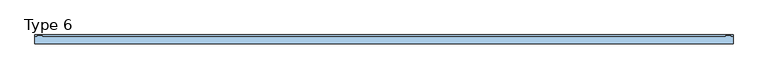
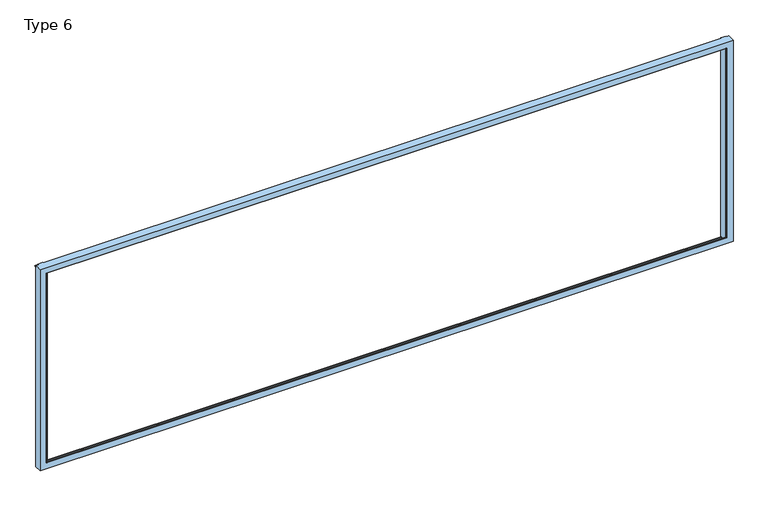
"""IFC4 building model written with IfcOpenShell, lengths in millimetres: window geometry, Type 6."""

from ifc_helpers import new_model, si_unit, frame, origin, place, context, project, spatial, polyline, circle_curve, ellipse_curve, outline, extrude, source, transform, mapped, element, save
from ifc_brep_helpers import plane_surface, cylinder_surface, advanced_brep


def type_6_8637c548(model_context):
    return source(origin(), model_context, "Body", "SolidModel", [
        advanced_brep(
        [(-3865.0, 17.4999847, 0.0), (-3862.5, 19.9999847, 0.0), (-3805.9999505, 19.9999847, 0.0), (-3805.9999505, 9.9999847, 0.0), (3806.0, 9.9999847, 0.0), (3806.0, 20.0, 0.0), (3862.5, 20.0, 0.0), (3865.0, 17.5, 0.0), (3865.0, 10.0, 0.0), (3890.0, 9.9999847, 0.0), (3890.0, -70.0, 0.0), (-3890.0, -70.0, 0.0), (-3890.0, 9.9999847, 0.0), (-3865.0, 9.9999847, 0.0), (-3865.0, 17.4999847, 2390.0), (-3862.5, 19.9999847, 2390.0), (-3805.9999505, 19.9999847, 2390.0), (-3805.9999505, 9.9999847, 2390.0), (-3805.9999505, 9.9999847, 2354.3999924), (-3805.9999505, 0.1999847, 2354.3999924), (-3805.9999505, 0.1999847, 2365.9997864), (-3805.9999505, -22.3000153, 2365.9997864), (-3805.9999505, -22.3000153, 2354.3999924), (-3805.9999505, -31.8999908, 2354.3999924), (-3805.9999505, -31.8999908, 2359.5), (-3805.9999505, -60.0000153, 2359.5), (-3805.9999505, -60.0000153, 2317.0), (-3805.9999505, -60.0000153, 73.0), (-3805.9999505, -60.0000153, 30.5), (-3805.9999505, -31.8999908, 30.5), (-3805.9999505, -31.8999908, 35.6000076), (-3805.9999505, -22.3000153, 35.6000076), (-3805.9999505, -22.3000153, 24.0002136), (-3805.9999505, 0.1999847, 24.0002136), (-3805.9999505, 0.1999847, 35.6000076), (-3805.9999505, 9.9999847, 35.6000076), (3806.0, 9.9999847, 35.6000076), (-3890.0, 9.9999847, 2390.0), (-3865.0, 9.9999847, 2390.0), (3865.0, 9.9999847, 2390.0), (3890.0, 9.9999847, 2390.0), (3806.0, 9.9999847, 2390.0), (3806.0, 9.9999847, 2354.3999924), (3806.0, 20.0, 2390.0), (3806.0, 0.1999847, 35.6000076), (3806.0, 0.1999847, 24.0002136), (3806.0, -22.3000153, 24.0002136), (3806.0, -22.3000153, 35.6000076), (3806.0, -31.8999908, 35.6000076), (3806.0, -31.8999908, 30.5), (3806.0, -60.0, 30.5), (3806.0, -60.0000153, 73.0), (3806.0, -60.0, 2317.0), (3806.0, -60.0000153, 2359.5), (3806.0, -31.8999908, 2359.5), (3806.0, -31.8999908, 2354.3999924), (3806.0, -22.3000153, 2354.3999924), (3806.0, -22.3000153, 2365.9997864), (3806.0, 0.1999847, 2365.9997864), (3806.0, 0.1999847, 2354.3999924), (3862.5, 20.0, 2390.0), (3865.0, 17.5, 2390.0), (3890.0, -70.0, 2390.0), (-3890.0, -70.0, 2390.0), (3819.5, -70.0, 2319.5), (3819.5, -70.0, 70.5), (-3819.5, -70.0, 70.5), (-3819.5, -70.0, 2319.5), (-3817.0, -60.0000153, 2317.0), (-3817.0, -60.0000153, 73.0), (-3817.0, -67.5, 2317.0), (-3817.0, -67.5, 73.0), (3817.0, -67.5, 73.0), (3817.0, -60.0000153, 73.0), (3817.0, -60.0, 2317.0), (3817.0, -67.5, 2317.0)],
        [
            (0, 1, circle_curve(frame((-3862.5, 17.4999847, 0.0), z_axis=(0.0, 0.0, -1.0), x_axis=(0.0, -1.0, 0.0)), 2.5)),
            (1, 2),
            (2, 3),
            (3, 4),
            (4, 5),
            (5, 6),
            (6, 7, circle_curve(frame((3862.5, 17.5, 0.0), z_axis=(0.0, 0.0, -1.0), x_axis=(0.0, -1.0, 0.0)), 2.5)),
            (7, 8),
            (8, 9),
            (9, 10),
            (10, 11),
            (11, 12),
            (12, 13),
            (13, 0),
            (14, 15, circle_curve(frame((-3862.5, 17.4999847, 2390.0), z_axis=(0.0, 0.0, -1.0), x_axis=(0.0, -1.0, 0.0)), 2.5)),
            (15, 1),
            (0, 14),
            (15, 16),
            (16, 2),
            (16, 17),
            (17, 18),
            (18, 19),
            (19, 20),
            (20, 21),
            (21, 22),
            (22, 23),
            (23, 24),
            (24, 25),
            (25, 26),
            (26, 27),
            (27, 28),
            (28, 29),
            (29, 30),
            (30, 31),
            (31, 32),
            (32, 33),
            (33, 34),
            (34, 35),
            (35, 3),
            (35, 36),
            (36, 4),
            (37, 38),
            (38, 13),
            (12, 37),
            (39, 40),
            (40, 9),
            (8, 39),
            (17, 41),
            (41, 42),
            (42, 18),
            (43, 5),
            (36, 44),
            (44, 45),
            (45, 46),
            (46, 47),
            (47, 48),
            (48, 49),
            (49, 50),
            (50, 51),
            (51, 52),
            (52, 53),
            (53, 54),
            (54, 55),
            (55, 56),
            (56, 57),
            (57, 58),
            (58, 59),
            (59, 42),
            (41, 43),
            (43, 60),
            (60, 6),
            (60, 61, circle_curve(frame((3862.5, 17.5, 2390.0), z_axis=(0.0, 0.0, -1.0), x_axis=(0.0, -1.0, 0.0)), 2.5)),
            (61, 7),
            (61, 39),
            (40, 62),
            (62, 10),
            (62, 63),
            (63, 11),
            (64, 65),
            (65, 66),
            (66, 67),
            (67, 64),
            (63, 37),
            (38, 14),
            (34, 44),
            (26, 68),
            (68, 69),
            (69, 27),
            (68, 70),
            (70, 71),
            (71, 69),
            (72, 73),
            (73, 51),
            (51, 27),
            (71, 72),
            (50, 28),
            (52, 26),
            (25, 53),
            (49, 29),
            (48, 30),
            (23, 55),
            (54, 24),
            (47, 31),
            (46, 32),
            (21, 57),
            (56, 22),
            (45, 33),
            (19, 59),
            (58, 20),
            (73, 74),
            (74, 52),
            (72, 75),
            (75, 74),
            (65, 72, ellipse_curve(frame((3819.5, -67.5, 70.5), z_axis=(-0.7071067811865498, 0.0, -0.7071067811865451), x_axis=(-0.7071067811865452, 0.0, 0.7071067811865497)), 3.5355339, 2.5)),
            (71, 66, ellipse_curve(frame((-3819.5, -67.5, 70.5), z_axis=(0.7071067811865451, 0.0, -0.7071067811865498), x_axis=(-0.70710678118655, 0.0, -0.7071067811865451)), 3.5355339, 2.5)),
            (64, 75, ellipse_curve(frame((3819.5, -67.5, 2319.5), z_axis=(0.7071067811865451, 0.0, -0.7071067811865498), x_axis=(-0.7071067811865497, 0.0, -0.7071067811865452)), 3.5355339, 2.5)),
            (70, 67, ellipse_curve(frame((-3819.5, -67.5, 2319.5), z_axis=(-0.7071067811865498, 0.0, -0.7071067811865451), x_axis=(-0.7071067811865451, 0.0, 0.70710678118655)), 3.5355339, 2.5)),
            (75, 70),
        ],
        [
            plane_surface(frame((-3890.0, -70.0, 0.0), z_axis=(0.0, 0.0, -1.0), x_axis=(0.0, -1.0, 0.0))),
            cylinder_surface(frame((-3862.5, 17.4999847, 2390.0), z_axis=(0.0, 0.0, 1.0), x_axis=(0.0, -1.0, 0.0)), 2.5),
            plane_surface(frame((-3805.9999505, 19.9999847, 2390.0), z_axis=(0.0, 1.0, 0.0), x_axis=(0.0, 0.0, -1.0))),
            plane_surface(frame((-3805.9999505, -60.0000153, 2390.0), z_axis=(1.0, 0.0, 0.0), x_axis=(0.0, 0.0, -1.0))),
            plane_surface(frame((-3865.0, 9.9999847, 2390.0), z_axis=(0.0, 1.0, 0.0), x_axis=(0.0, 0.0, -1.0))),
            plane_surface(frame((3806.0, 20.0, 2390.0), z_axis=(-1.0, 0.0, 0.0), x_axis=(0.0, 0.0, -1.0))),
            plane_surface(frame((3862.5, 20.0, 2390.0), z_axis=(0.0, 1.0, 0.0), x_axis=(0.0, 0.0, -1.0))),
            cylinder_surface(frame((3862.5, 17.5, 2390.0), z_axis=(0.0, 0.0, 1.0), x_axis=(0.0, -1.0, 0.0)), 2.5),
            plane_surface(frame((3865.0, 10.0, 2390.0), z_axis=(1.0, 0.0, 0.0), x_axis=(0.0, 0.0, -1.0))),
            plane_surface(frame((3890.0, 9.9999847, 0.0), z_axis=(1.0, 0.0, 0.0), x_axis=(0.0, 0.0, 1.0))),
            plane_surface(frame((-3890.0, -70.0, 0.0), z_axis=(0.0, -1.0, 0.0), x_axis=(1.0, 0.0, 0.0))),
            plane_surface(frame((-3890.0, 9.9999847, 2390.0), z_axis=(-1.0, 0.0, 0.0), x_axis=(0.0, 0.0, -1.0))),
            plane_surface(frame((-3865.0, 17.4999847, 2390.0), z_axis=(-1.0, 0.0, 0.0), x_axis=(0.0, 0.0, -1.0))),
            plane_surface(frame((-3854.3999924, 0.1999847, 35.6000076), z_axis=(0.0, 0.0, 1.0), x_axis=(1.0, 0.0, 0.0))),
            plane_surface(frame((-3865.9997864, -60.0000153, 2390.0), z_axis=(0.0, -1.0, 0.0), x_axis=(0.0, 0.0, -1.0))),
            plane_surface(frame((-3817.0, -67.5, 2317.0), z_axis=(1.0, 0.0, 0.0), x_axis=(0.0, 0.0, -1.0))),
            plane_surface(frame((-3817.0, -67.5, 73.0), z_axis=(0.0, 0.0, 1.0), x_axis=(1.0, 0.0, 0.0))),
            plane_surface(frame((-3817.0, -60.0000153, 73.0), z_axis=(0.0, 1.0, 0.0), x_axis=(1.0, 0.0, 0.0))),
            plane_surface(frame((-3859.5, -60.0000153, 30.5), z_axis=(0.0, 0.0, 1.0), x_axis=(1.0, 0.0, 0.0))),
            plane_surface(frame((-3859.5, -31.8999908, 30.5), z_axis=(0.0, -1.0, 0.0), x_axis=(1.0, 0.0, 0.0))),
            plane_surface(frame((-3854.3999924, -31.8999908, 35.6000076), z_axis=(0.0, 0.0, 1.0), x_axis=(1.0, 0.0, 0.0))),
            plane_surface(frame((-3854.3999924, -22.3000153, 35.6000076), z_axis=(0.0, 1.0, 0.0), x_axis=(1.0, 0.0, 0.0))),
            plane_surface(frame((-3865.9997864, -22.3000153, 24.0002136), z_axis=(0.0, 0.0, 1.0), x_axis=(1.0, 0.0, 0.0))),
            plane_surface(frame((-3865.9997864, 0.1999847, 24.0002136), z_axis=(0.0, -1.0, 0.0), x_axis=(1.0, 0.0, 0.0))),
            plane_surface(frame((3806.0, -60.0, 2390.0), z_axis=(0.0, -1.0, 0.0), x_axis=(0.0, 0.0, -1.0))),
            plane_surface(frame((3817.0, -67.5, 73.0), z_axis=(-1.0, 0.0, 0.0), x_axis=(0.0, 0.0, 1.0))),
            cylinder_surface(frame((-3890.0, -67.5, 70.5), z_axis=(-1.0, 0.0, 0.0), x_axis=(0.0, 0.0, 1.0)), 2.5),
            cylinder_surface(frame((3819.5, -67.5, 0.0), z_axis=(0.0, 0.0, -1.0), x_axis=(-1.0, 0.0, 0.0)), 2.5),
            cylinder_surface(frame((-3819.5, -67.5, 2390.0), z_axis=(0.0, 0.0, 1.0), x_axis=(1.0, 0.0, 0.0)), 2.5),
            plane_surface(frame((-3890.0, -70.0, 2390.0), z_axis=(0.0, 0.0, 1.0), x_axis=(0.0, -1.0, 0.0))),
            plane_surface(frame((3854.3999924, 0.1999847, 2354.3999924), z_axis=(0.0, 0.0, -1.0), x_axis=(-1.0, 0.0, 0.0))),
            plane_surface(frame((3817.0, -67.5, 2317.0), z_axis=(0.0, 0.0, -1.0), x_axis=(-1.0, 0.0, 0.0))),
            plane_surface(frame((3865.9997864, -22.3000153, 2365.9997864), z_axis=(0.0, 0.0, -1.0), x_axis=(-1.0, 0.0, 0.0))),
            plane_surface(frame((3854.3999924, -31.8999908, 2354.3999924), z_axis=(0.0, 0.0, -1.0), x_axis=(-1.0, 0.0, 0.0))),
            plane_surface(frame((3859.5, -60.0000153, 2359.5), z_axis=(0.0, 0.0, -1.0), x_axis=(-1.0, 0.0, 0.0))),
            cylinder_surface(frame((3890.0, -67.5, 2319.5), z_axis=(1.0, 0.0, 0.0), x_axis=(0.0, 0.0, -1.0)), 2.5),
        ],
        [
            (0, [[1, 2, 3, 4, 5, 6, 7, 8, 9, 10, 11, 12, 13, 14]]),
            (1, [[15, 16, -1, 17]]),
            (2, [[18, 19, -2, -16]]),
            (3, [[-19, 20, 21, 22, 23, 24, 25, 26, 27, 28, 29, 30, 31, 32, 33, 34, 35, 36, 37, 38, 39, -3]]),
            (4, [[-4, -39, 40, 41]]),
            (4, [[42, 43, -13, 44]]),
            (4, [[45, 46, -9, 47]]),
            (4, [[48, 49, 50, -21]]),
            (5, [[51, -5, -41, 52, 53, 54, 55, 56, 57, 58, 59, 60, 61, 62, 63, 64, 65, 66, 67, 68, -49, 69]]),
            (6, [[70, 71, -6, -51]]),
            (7, [[72, 73, -7, -71]]),
            (8, [[74, -47, -8, -73]]),
            (9, [[-10, -46, 75, 76]]),
            (10, [[-76, 77, 78, -11], [79, 80, 81, 82]]),
            (11, [[83, -44, -12, -78]]),
            (12, [[84, -17, -14, -43]]),
            (13, [[85, -52, -40, -38]]),
            (14, [[-30, 86, 87, 88]]),
            (15, [[89, 90, 91, -87]]),
            (16, [[92, 93, 94, -88, -91, 95]]),
            (17, [[-94, -59, 96, -31]]),
            (17, [[97, -29, 98, -61]]),
            (18, [[-96, -58, 99, -32]]),
            (19, [[-99, -57, 100, -33]]),
            (19, [[101, -63, 102, -27]]),
            (20, [[-100, -56, 103, -34]]),
            (21, [[-103, -55, 104, -35]]),
            (21, [[105, -65, 106, -25]]),
            (22, [[-104, -54, 107, -36]]),
            (23, [[-107, -53, -85, -37]]),
            (23, [[108, -67, 109, -23]]),
            (24, [[-60, -93, 110, 111]]),
            (25, [[112, 113, -110, -92]]),
            (26, [[114, -95, 115, -80]]),
            (27, [[-114, -79, 116, -112]]),
            (28, [[117, -81, -115, -90]]),
            (29, [[-84, -42, -83, -77, -75, -45, -74, -72, -70, -69, -48, -20, -18, -15]]),
            (30, [[-108, -22, -50, -68]]),
            (31, [[-113, 118, -89, -86, -97, -111]]),
            (32, [[-105, -24, -109, -66]]),
            (33, [[-101, -26, -106, -64]]),
            (34, [[-98, -28, -102, -62]]),
            (35, [[-116, -82, -117, -118]]),
        ],
    ),
        extrude(outline(polyline([(30.2279949, 2375.5006958), (30.2279949, 2371.1777082), (9.9999847, 2371.1777082), (9.9999847, 2383.6755792), (30.2279949, 2375.5006958)])), frame((-3890.0, 0.0, 0.0), z_axis=(1.0, 0.0, 0.0), x_axis=(0.0, 1.0, 0.0)), (0.0, 0.0, 1.0), 7780.0),
    ])


if __name__ == "__main__":
    model = new_model("IFC4")
    model_context = context("Model", 3, world=origin())
    ifc_project = project(units=[si_unit("LENGTHUNIT", "METRE", prefix="MILLI")], contexts=[model_context])
    site = spatial("IfcSite", under=ifc_project)
    building = spatial("IfcBuilding", under=site)
    placement = place(None, origin())
    type_6_shape = type_6_8637c548(model_context)
    element("IfcWindow", 1, ObjectType="Type 6", at=placement, inside=building, context=model_context, shape_type="MappedRepresentation", body=[
        mapped(type_6_shape, transform((0.0, 0.0, 0.0), x_axis=(1.0, 0.0, 0.0), y_axis=(0.0, 1.0, 0.0), z_axis=(0.0, 0.0, 1.0))),
    ])
    save(model, "model.ifc")
